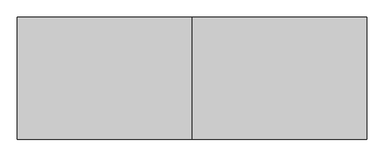
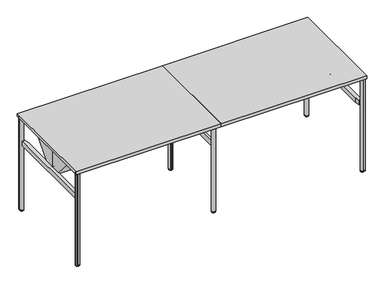
"""IFC4 building model written with IfcOpenShell, lengths in millimetres: furniture geometry."""

from ifc_helpers import new_model, si_unit, point, frame, frame_2d, origin, place, context, project, spatial, polyline, circle_curve, ellipse_curve, trimmed, segment, composite_curve, outline, extrude, source, transform, mapped, element, save
from ifc_brep_helpers import plane_surface, cylinder_surface, revolved_surface, advanced_brep


def furniture_e4376d32(model_context):
    return source(origin(), model_context, "Body", "SolidModel", [
        extrude(outline(composite_curve([segment(polyline([(2897.7708622, -1012.5123913), (2891.159378, -936.94286)]), True, "CONTINUOUS"), segment(trimmed(circle_curve(frame_2d((2910.1368868, -935.2825414)), 19.05), [point((2891.159378, -936.94286))], [point((2911.7972055, -916.3050325))], False, "CARTESIAN"), True, "CONTINUOUS"), segment(polyline([(2911.7972055, -916.3050325), (2989.4875241, -923.1020618)]), True, "CONTINUOUS"), segment(trimmed(circle_curve(frame_2d((2987.59591, -944.7232867)), 21.7038146), [point((2989.4875241, -923.1020618))], [point((3002.9428234, -929.3763711))], False, "CARTESIAN"), True, "CONTINUOUS"), segment(polyline([(3002.9428234, -929.3763711), (3018.5702956, -945.0038411)]), True, "CONTINUOUS"), segment(trimmed(circle_curve(frame_2d((2997.6053664, -965.9687734)), 29.6488894), [point((3018.5702956, -945.0038411))], [point((3027.1414328, -963.3847025))], False, "CARTESIAN"), True, "CONTINUOUS"), segment(polyline([(3027.1414328, -963.3847025), (3033.5888037, -1037.078493), (3033.5888037, -1055.2995351)]), True, "CONTINUOUS"), segment(trimmed(circle_curve(frame_2d((3030.1538794, -1055.2995351)), 3.4349243), [point((3033.5888037, -1055.2995351))], [point((3030.1538794, -1058.7344594))], False, "CARTESIAN"), True, "CONTINUOUS"), segment(polyline([(3030.1538794, -1058.7344594), (3011.9328449, -1058.7344594), (2939.0008773, -1052.3537388)]), True, "CONTINUOUS"), segment(trimmed(circle_curve(frame_2d((2941.7680722, -1020.7245572)), 31.75), [point((2939.0008773, -1052.3537388))], [point((2919.3174287, -1043.1751943))], False, "CARTESIAN"), True, "CONTINUOUS"), segment(polyline([(2919.3174287, -1043.1751943), (2905.7360666, -1029.5938283)]), True, "CONTINUOUS"), segment(trimmed(circle_curve(frame_2d((2925.2189041, -1010.1109963)), 27.5528892), [point((2905.7360666, -1029.5938283))], [point((2897.7708622, -1012.5123913))], False, "CARTESIAN"), True, "CONTINUOUS")], self_intersect=False)), frame((0.0, 0.0, 1029.2852114), z_axis=(0.0, 0.0, 1.0), x_axis=(1.0, 0.0, 0.0)), (0.0, 0.0, 1.0), 7.924807),
        extrude(outline(composite_curve([segment(trimmed(circle_curve(frame_2d((2925.2189041, -55.8736689)), 27.5528892), [point((2897.7708622, -53.4722739))], [point((2905.7360666, -36.3908369))], False, "CARTESIAN"), True, "CONTINUOUS"), segment(polyline([(2905.7360666, -36.3908369), (2919.3174287, -22.8094709)]), True, "CONTINUOUS"), segment(trimmed(circle_curve(frame_2d((2941.7680722, -45.260108)), 31.75), [point((2919.3174287, -22.8094709))], [point((2939.0008773, -13.6309264))], False, "CARTESIAN"), True, "CONTINUOUS"), segment(polyline([(2939.0008773, -13.6309264), (3011.9328449, -7.2502058), (3030.1538794, -7.2502058)]), True, "CONTINUOUS"), segment(trimmed(circle_curve(frame_2d((3030.1538794, -10.6851301)), 3.4349243), [point((3030.1538794, -7.2502058))], [point((3033.5888037, -10.6851301))], False, "CARTESIAN"), True, "CONTINUOUS"), segment(polyline([(3033.5888037, -10.6851301), (3033.5888037, -28.9061722), (3027.1414328, -102.5999627)]), True, "CONTINUOUS"), segment(trimmed(circle_curve(frame_2d((2997.6053664, -100.0158919)), 29.6488894), [point((3027.1414328, -102.5999627))], [point((3018.5702956, -120.9808241))], False, "CARTESIAN"), True, "CONTINUOUS"), segment(polyline([(3018.5702956, -120.9808241), (3002.9428234, -136.6082941)]), True, "CONTINUOUS"), segment(trimmed(circle_curve(frame_2d((2987.59591, -121.2613785)), 21.7038146), [point((3002.9428234, -136.6082941))], [point((2989.4875241, -142.8826034))], False, "CARTESIAN"), True, "CONTINUOUS"), segment(polyline([(2989.4875241, -142.8826034), (2911.7972055, -149.6796327)]), True, "CONTINUOUS"), segment(trimmed(circle_curve(frame_2d((2910.1368868, -130.7021238)), 19.05), [point((2911.7972055, -149.6796327))], [point((2891.159378, -129.0418052))], False, "CARTESIAN"), True, "CONTINUOUS"), segment(polyline([(2891.159378, -129.0418052), (2897.7708622, -53.4722739)]), True, "CONTINUOUS")], self_intersect=False)), frame((0.0, 0.0, 1029.2852114), z_axis=(0.0, 0.0, 1.0), x_axis=(1.0, 0.0, 0.0)), (0.0, 0.0, 1.0), 7.924807),
        extrude(outline(composite_curve([segment(trimmed(circle_curve(frame_2d((115.624494, -1010.9263553)), 27.5528892), [point((143.0725359, -1013.3277503))], [point((135.1073315, -1030.4091873))], False, "CARTESIAN"), True, "CONTINUOUS"), segment(polyline([(135.1073315, -1030.4091873), (121.5259694, -1043.9905533)]), True, "CONTINUOUS"), segment(trimmed(circle_curve(frame_2d((99.0753259, -1021.5399162)), 31.75), [point((121.5259694, -1043.9905533))], [point((101.8425208, -1053.1690978))], False, "CARTESIAN"), True, "CONTINUOUS"), segment(polyline([(101.8425208, -1053.1690978), (28.9105532, -1059.5498184), (10.6895187, -1059.5498184)]), True, "CONTINUOUS"), segment(trimmed(circle_curve(frame_2d((10.6895187, -1056.1148941)), 3.4349243), [point((10.6895187, -1059.5498184))], [point((7.2545944, -1056.1148941))], False, "CARTESIAN"), True, "CONTINUOUS"), segment(polyline([(7.2545944, -1056.1148941), (7.2545944, -1037.893852), (13.7019653, -964.2000615)]), True, "CONTINUOUS"), segment(trimmed(circle_curve(frame_2d((43.2380317, -966.7841324)), 29.6488894), [point((13.7019653, -964.2000615))], [point((22.2731025, -945.8192001))], False, "CARTESIAN"), True, "CONTINUOUS"), segment(polyline([(22.2731025, -945.8192001), (37.9005747, -930.1917301)]), True, "CONTINUOUS"), segment(trimmed(circle_curve(frame_2d((53.2474881, -945.5386457)), 21.7038146), [point((37.9005747, -930.1917301))], [point((51.355874, -923.9174208))], False, "CARTESIAN"), True, "CONTINUOUS"), segment(polyline([(51.355874, -923.9174208), (129.0461926, -917.1203915)]), True, "CONTINUOUS"), segment(trimmed(circle_curve(frame_2d((130.7065113, -936.0979004)), 19.05), [point((129.0461926, -917.1203915))], [point((149.6840201, -937.758219))], False, "CARTESIAN"), True, "CONTINUOUS"), segment(polyline([(149.6840201, -937.758219), (143.0725359, -1013.3277503)]), True, "CONTINUOUS")], self_intersect=False)), frame((0.0, 0.0, 1029.2852114), z_axis=(0.0, 0.0, 1.0), x_axis=(1.0, 0.0, 0.0)), (0.0, 0.0, 1.0), 7.924807),
        extrude(outline(composite_curve([segment(trimmed(circle_curve(frame_2d((1563.0721112, -209.6115174)), 27.5528892), [point((1584.1788505, -191.9008635))], [point((1590.6250004, -209.6115135))], False, "CARTESIAN"), True, "CONTINUOUS"), segment(polyline([(1590.6250004, -209.6115135), (1590.6250031, -228.8184627)]), True, "CONTINUOUS"), segment(trimmed(circle_curve(frame_2d((1558.8750031, -228.8184672)), 31.75), [point((1590.6250031, -228.8184627))], [point((1583.1969142, -249.2269738))], False, "CARTESIAN"), True, "CONTINUOUS"), segment(polyline([(1583.1969142, -249.2269738), (1536.1380761, -305.3095134), (1523.2538591, -318.1937304)]), True, "CONTINUOUS"), segment(trimmed(circle_curve(frame_2d((1520.8250008, -315.7648722)), 3.4349243), [point((1523.2538591, -318.1937304))], [point((1518.3961425, -318.1937304))], False, "CARTESIAN"), True, "CONTINUOUS"), segment(polyline([(1518.3961425, -318.1937304), (1505.5119202, -305.3095081), (1457.9615208, -248.6411494)]), True, "CONTINUOUS"), segment(trimmed(circle_curve(frame_2d((1480.6738877, -229.5832105)), 29.6488894), [point((1457.9615208, -248.6411494))], [point((1451.0249983, -229.5832084))], False, "CARTESIAN"), True, "CONTINUOUS"), segment(polyline([(1451.0249983, -229.5832084), (1451.0249998, -207.4826268)]), True, "CONTINUOUS"), segment(trimmed(circle_curve(frame_2d((1472.7288144, -207.4826284)), 21.7038146), [point((1451.0249998, -207.4826268))], [point((1456.1027266, -193.5316868))], False, "CARTESIAN"), True, "CONTINUOUS"), segment(polyline([(1456.1027266, -193.5316868), (1506.2318522, -133.7901102)]), True, "CONTINUOUS"), segment(trimmed(circle_curve(frame_2d((1520.825, -146.0352128)), 19.05), [point((1506.2318522, -133.7901102))], [point((1535.4181478, -133.7901102))], False, "CARTESIAN"), True, "CONTINUOUS"), segment(polyline([(1535.4181478, -133.7901102), (1584.1788505, -191.9008635)]), True, "CONTINUOUS")], self_intersect=False)), frame((0.0, 0.0, 1029.2852114), z_axis=(0.0, 0.0, 1.0), x_axis=(1.0, 0.0, 0.0)), (0.0, 0.0, 1.0), 7.924807),
        extrude(outline(composite_curve([segment(polyline([(143.0725359, -53.4722739), (149.6840201, -129.0418052)]), True, "CONTINUOUS"), segment(trimmed(circle_curve(frame_2d((130.7065113, -130.7021238)), 19.05), [point((149.6840201, -129.0418052))], [point((129.0461926, -149.6796327))], False, "CARTESIAN"), True, "CONTINUOUS"), segment(polyline([(129.0461926, -149.6796327), (51.355874, -142.8826034)]), True, "CONTINUOUS"), segment(trimmed(circle_curve(frame_2d((53.2474881, -121.2613785)), 21.7038146), [point((51.355874, -142.8826034))], [point((37.9005747, -136.6082941))], False, "CARTESIAN"), True, "CONTINUOUS"), segment(polyline([(37.9005747, -136.6082941), (22.2731025, -120.9808241)]), True, "CONTINUOUS"), segment(trimmed(circle_curve(frame_2d((43.2380317, -100.0158919)), 29.6488894), [point((22.2731025, -120.9808241))], [point((13.7019653, -102.5999627))], False, "CARTESIAN"), True, "CONTINUOUS"), segment(polyline([(13.7019653, -102.5999627), (7.2545944, -28.9061722), (7.2545944, -10.6851301)]), True, "CONTINUOUS"), segment(trimmed(circle_curve(frame_2d((10.6895187, -10.6851301)), 3.4349243), [point((7.2545944, -10.6851301))], [point((10.6895187, -7.2502058))], False, "CARTESIAN"), True, "CONTINUOUS"), segment(polyline([(10.6895187, -7.2502058), (28.9105532, -7.2502058), (101.8425208, -13.6309264)]), True, "CONTINUOUS"), segment(trimmed(circle_curve(frame_2d((99.0753259, -45.260108)), 31.75), [point((101.8425208, -13.6309264))], [point((121.5259694, -22.8094709))], False, "CARTESIAN"), True, "CONTINUOUS"), segment(polyline([(121.5259694, -22.8094709), (135.1073315, -36.3908369)]), True, "CONTINUOUS"), segment(trimmed(circle_curve(frame_2d((115.624494, -55.8736689)), 27.5528892), [point((135.1073315, -36.3908369))], [point((143.0725359, -53.4722739))], False, "CARTESIAN"), True, "CONTINUOUS")], self_intersect=False)), frame((0.0, 0.0, 1029.2852114), z_axis=(0.0, 0.0, 1.0), x_axis=(1.0, 0.0, 0.0)), (0.0, 0.0, 1.0), 7.924807),
        extrude(outline(composite_curve([segment(polyline([(-860.7360671, 1037.2100183), (-538.0985848, 1037.2100183), (-538.0985848, 778.812033)]), True, "CONTINUOUS"), segment(trimmed(circle_curve(frame_2d((-541.0815927, 778.812033)), 2.9830079), [point((-538.0985848, 778.812033))], [point((-541.0815927, 775.8290251))], False, "CARTESIAN"), True, "CONTINUOUS"), segment(polyline([(-541.0815927, 775.8290251), (-565.4985839, 775.8290251), (-565.4985839, 730.9649961), (-558.4999195, 730.9649961), (-558.4999195, 773.6341736), (-556.4999325, 773.6341736), (-556.4999325, 730.9649961), (-546.5486141, 730.9649961), (-546.5486141, 728.6789961), (-589.6736841, 728.6789961), (-860.7360671, 1037.2100183)]), True, "CONTINUOUS")], self_intersect=False)), frame((59.0513238, 0.0, 0.0), z_axis=(1.0, 0.0, 0.0), x_axis=(0.0, 1.0, 0.0)), (0.0, 0.0, 1.0), 2923.5474357),
        extrude(outline(composite_curve([segment(polyline([(-206.0639329, 1037.2100183), (-477.1263159, 728.6789961), (-520.2513859, 728.6789961), (-520.2513859, 730.9649961), (-510.3000675, 730.9649961), (-510.3000675, 773.6341736), (-508.3000805, 773.6341736), (-508.3000805, 730.9649961), (-501.3014161, 730.9649961), (-501.3014161, 775.8290251), (-525.7184073, 775.8290251)]), True, "CONTINUOUS"), segment(trimmed(circle_curve(frame_2d((-525.7184073, 778.812033)), 2.9830079), [point((-525.7184073, 775.8290251))], [point((-528.7014152, 778.812033))], False, "CARTESIAN"), True, "CONTINUOUS"), segment(polyline([(-528.7014152, 778.812033), (-528.7014152, 1037.2100183), (-206.0639329, 1037.2100183)]), True, "CONTINUOUS")], self_intersect=False)), frame((59.0513238, 0.0, 0.0), z_axis=(1.0, 0.0, 0.0), x_axis=(0.0, 1.0, 0.0)), (0.0, 0.0, 1.0), 2923.5474357),
        advanced_brep(
        [(3013.6498037, -1018.8564594, 15.24), (3013.6498037, -1058.7344594, 15.24), (3013.6498037, -1038.7954594, 15.24), (3013.6498037, -1018.8564594, 12.7382497), (3013.6498037, -1058.7344594, 12.7382497), (3013.6498037, -1024.789777, 7.8701761), (3013.6498037, -1052.8011418, 7.8701761), (3013.6498037, -1024.789777, 7.0593297), (3013.6498037, -1052.8011418, 7.0593297), (3013.6498037, -1026.63132, 2.623811), (3013.6498037, -1050.9595987, 2.623811), (3013.6498037, -1029.0090351, 0.2460959), (3013.6498037, -1048.5818837, 0.2460959), (3013.6498037, -1029.9274776, 0.0), (3013.6498037, -1047.6634411, 0.0), (3013.6498037, -1038.7954594, 0.0)],
        [
            (0, 1, circle_curve(frame((3013.6498037, -1038.7954594, 15.24), z_axis=(0.0, 0.0, 1.0), x_axis=(0.0, -1.0, 0.0)), 19.939)),
            (1, 2),
            (2, 0),
            (1, 0, circle_curve(frame((3013.6498037, -1038.7954594, 15.24), z_axis=(0.0, 0.0, 1.0), x_axis=(0.0, -1.0, 0.0)), 19.939)),
            (3, 4, circle_curve(frame((3013.6498037, -1038.7954594, 12.7382497), z_axis=(0.0, 0.0, 1.0), x_axis=(0.0, -1.0, 0.0)), 19.939)),
            (4, 1),
            (0, 3),
            (4, 3, circle_curve(frame((3013.6498037, -1038.7954594, 12.7382497), z_axis=(0.0, 0.0, 1.0), x_axis=(0.0, -1.0, 0.0)), 19.939)),
            (5, 6, circle_curve(frame((3013.6498037, -1038.7954594, 7.8701761), z_axis=(0.0, 0.0, 1.0), x_axis=(0.0, -1.0, 0.0)), 14.0056824)),
            (6, 4, circle_curve(frame((3013.6498037, -1053.770761, 12.7382497), z_axis=(-1.0, 0.0, 0.0), x_axis=(0.0, -1.0, 0.0)), 4.9636984)),
            (3, 5, circle_curve(frame((3013.6498037, -1023.8201577, 12.7382497), z_axis=(-1.0, 0.0, 0.0), x_axis=(0.0, 1.0, 0.0)), 4.9636984)),
            (6, 5, circle_curve(frame((3013.6498037, -1038.7954594, 7.8701761), z_axis=(0.0, 0.0, 1.0), x_axis=(0.0, -1.0, 0.0)), 14.0056824)),
            (7, 8, circle_curve(frame((3013.6498037, -1038.7954594, 7.0593297), z_axis=(0.0, 0.0, 1.0), x_axis=(0.0, -1.0, 0.0)), 14.0056824)),
            (8, 6),
            (5, 7),
            (8, 7, circle_curve(frame((3013.6498037, -1038.7954594, 7.0593297), z_axis=(0.0, 0.0, 1.0), x_axis=(0.0, -1.0, 0.0)), 14.0056824)),
            (9, 10, circle_curve(frame((3013.6498037, -1038.7954594, 2.623811), z_axis=(0.0, 0.0, 1.0), x_axis=(0.0, -1.0, 0.0)), 12.1641393)),
            (10, 8),
            (7, 9),
            (10, 9, circle_curve(frame((3013.6498037, -1038.7954594, 2.623811), z_axis=(0.0, 0.0, 1.0), x_axis=(0.0, -1.0, 0.0)), 12.1641393)),
            (11, 12, circle_curve(frame((3013.6498037, -1038.7954594, 0.2460959), z_axis=(0.0, 0.0, 1.0), x_axis=(0.0, -1.0, 0.0)), 9.7864243)),
            (12, 10),
            (9, 11),
            (12, 11, circle_curve(frame((3013.6498037, -1038.7954594, 0.2460959), z_axis=(0.0, 0.0, 1.0), x_axis=(0.0, -1.0, 0.0)), 9.7864243)),
            (13, 14, circle_curve(frame((3013.6498037, -1038.7954594, 0.0), z_axis=(0.0, 0.0, 1.0), x_axis=(0.0, -1.0, 0.0)), 8.8679818)),
            (14, 12),
            (11, 13),
            (14, 13, circle_curve(frame((3013.6498037, -1038.7954594, 0.0), z_axis=(0.0, 0.0, 1.0), x_axis=(0.0, -1.0, 0.0)), 8.8679818)),
            (15, 14),
            (13, 15),
        ],
        [
            plane_surface(frame((3013.6498037, -1038.7954594, 15.24), z_axis=(0.0, 0.0, 1.0), x_axis=(0.0, -1.0, 0.0))),
            cylinder_surface(frame((3013.6498037, -1038.7954594, 53.34), z_axis=(0.0, 0.0, -1.0), x_axis=(0.0, -1.0, 0.0)), 19.939),
            revolved_surface(trimmed(ellipse_curve(frame((3013.6498037, -1053.770761, 12.7382497), z_axis=(1.0, 0.0, 0.0), x_axis=(0.0, -1.0, 0.0)), 4.9636984, 4.9636984), [point((3013.6498037, -1058.7344594, 12.7382497))], [point((3013.6498037, -1052.8011418, 7.8701761))], True, "CARTESIAN"), (3013.6498037, -1038.7954594, 53.34), (0.0, 0.0, -1.0)),
            cylinder_surface(frame((3013.6498037, -1038.7954594, 53.34), z_axis=(0.0, 0.0, -1.0), x_axis=(0.0, -1.0, 0.0)), 14.0056824),
            revolved_surface(polyline([(3013.6498037, -1052.8011418, 7.0593297), (3013.6498037, -1050.9595987, 2.623811)]), (3013.6498037, -1038.7954594, 53.34), (0.0, 0.0, -1.0)),
            revolved_surface(polyline([(3013.6498037, -1050.9595987, 2.623811), (3013.6498037, -1048.5818837, 0.2460959)]), (3013.6498037, -1038.7954594, 53.34), (0.0, 0.0, -1.0)),
            revolved_surface(polyline([(3013.6498037, -1048.5818837, 0.2460959), (3013.6498037, -1047.6634411, 0.0)]), (3013.6498037, -1038.7954594, 53.34), (0.0, 0.0, -1.0)),
            plane_surface(frame((3013.6498037, -1038.7954594, 0.0), z_axis=(0.0, 0.0, -1.0), x_axis=(0.0, -1.0, 0.0))),
        ],
        [
            (0, [[1, 2, 3]]),
            (0, [[4, -3, -2]]),
            (1, [[5, 6, -1, 7]]),
            (1, [[8, -7, -4, -6]]),
            (2, [[9, 10, -5, 11]]),
            (2, [[12, -11, -8, -10]]),
            (3, [[13, 14, -9, 15]]),
            (3, [[16, -15, -12, -14]]),
            (4, [[17, 18, -13, 19]]),
            (4, [[20, -19, -16, -18]]),
            (5, [[21, 22, -17, 23]]),
            (5, [[24, -23, -20, -22]]),
            (6, [[25, 26, -21, 27]]),
            (6, [[28, -27, -24, -26]]),
            (7, [[29, -25, 30]]),
            (7, [[-30, -28, -29]]),
        ],
    ),
        advanced_brep(
        [(3033.6532523, -27.9300781, 15.24), (2993.6463551, -27.9300781, 15.24), (3013.6498037, -27.9300781, 15.24), (3033.6532523, -27.9300781, 12.413529), (2993.6463551, -27.9300781, 12.413529), (3029.1631242, -27.9300781, 7.9234009), (2998.1364831, -27.9300781, 7.9234009), (3027.6996489, -27.9300781, 7.9234009), (2999.5999584, -27.9300781, 7.9234009), (3027.6996489, -27.9300781, 7.0593297), (2999.5999584, -27.9300781, 7.0593297), (3025.8417297, -27.9300781, 2.623811), (3001.4578777, -27.9300781, 2.623811), (3023.4640146, -27.9300781, 0.2460959), (3003.8355927, -27.9300781, 0.2460959), (3022.5455721, -27.9300781, 0.0), (3004.7540352, -27.9300781, 0.0), (3013.6498037, -27.9300781, 0.0)],
        [
            (0, 1, circle_curve(frame((3013.6498037, -27.9300781, 15.24), z_axis=(0.0, 0.0, 1.0), x_axis=(-1.0, 0.0, 0.0)), 20.0034486)),
            (1, 2),
            (2, 0),
            (1, 0, circle_curve(frame((3013.6498037, -27.9300781, 15.24), z_axis=(0.0, 0.0, 1.0), x_axis=(-1.0, 0.0, 0.0)), 20.0034486)),
            (3, 4, circle_curve(frame((3013.6498037, -27.9300781, 12.413529), z_axis=(0.0, 0.0, 1.0), x_axis=(-1.0, 0.0, 0.0)), 20.0034486)),
            (4, 1),
            (0, 3),
            (4, 3, circle_curve(frame((3013.6498037, -27.9300781, 12.413529), z_axis=(0.0, 0.0, 1.0), x_axis=(-1.0, 0.0, 0.0)), 20.0034486)),
            (5, 6, circle_curve(frame((3013.6498037, -27.9300781, 7.9234009), z_axis=(0.0, 0.0, 1.0), x_axis=(-1.0, 0.0, 0.0)), 15.5133205)),
            (6, 4, circle_curve(frame((2998.1364831, -27.9300781, 12.413529), z_axis=(0.0, 1.0, 0.0), x_axis=(1.0, 0.0, 0.0)), 4.4901281)),
            (3, 5, circle_curve(frame((3029.1631242, -27.9300781, 12.413529), z_axis=(0.0, 1.0, 0.0), x_axis=(-1.0, 0.0, 0.0)), 4.4901281)),
            (6, 5, circle_curve(frame((3013.6498037, -27.9300781, 7.9234009), z_axis=(0.0, 0.0, 1.0), x_axis=(-1.0, 0.0, 0.0)), 15.5133205)),
            (7, 8, circle_curve(frame((3013.6498037, -27.9300781, 7.9234009), z_axis=(0.0, 0.0, 1.0), x_axis=(-1.0, 0.0, 0.0)), 14.0498452)),
            (8, 6),
            (5, 7),
            (8, 7, circle_curve(frame((3013.6498037, -27.9300781, 7.9234009), z_axis=(0.0, 0.0, 1.0), x_axis=(-1.0, 0.0, 0.0)), 14.0498452)),
            (9, 10, circle_curve(frame((3013.6498037, -27.9300781, 7.0593297), z_axis=(0.0, 0.0, 1.0), x_axis=(-1.0, 0.0, 0.0)), 14.0498452)),
            (10, 8),
            (7, 9),
            (10, 9, circle_curve(frame((3013.6498037, -27.9300781, 7.0593297), z_axis=(0.0, 0.0, 1.0), x_axis=(-1.0, 0.0, 0.0)), 14.0498452)),
            (11, 12, circle_curve(frame((3013.6498037, -27.9300781, 2.623811), z_axis=(0.0, 0.0, 1.0), x_axis=(-1.0, 0.0, 0.0)), 12.191926)),
            (12, 10),
            (9, 11),
            (12, 11, circle_curve(frame((3013.6498037, -27.9300781, 2.623811), z_axis=(0.0, 0.0, 1.0), x_axis=(-1.0, 0.0, 0.0)), 12.191926)),
            (13, 14, circle_curve(frame((3013.6498037, -27.9300781, 0.2460959), z_axis=(0.0, 0.0, 1.0), x_axis=(-1.0, 0.0, 0.0)), 9.814211)),
            (14, 12),
            (11, 13),
            (14, 13, circle_curve(frame((3013.6498037, -27.9300781, 0.2460959), z_axis=(0.0, 0.0, 1.0), x_axis=(-1.0, 0.0, 0.0)), 9.814211)),
            (15, 16, circle_curve(frame((3013.6498037, -27.9300781, 0.0), z_axis=(0.0, 0.0, 1.0), x_axis=(-1.0, 0.0, 0.0)), 8.8957684)),
            (16, 14),
            (13, 15),
            (16, 15, circle_curve(frame((3013.6498037, -27.9300781, 0.0), z_axis=(0.0, 0.0, 1.0), x_axis=(-1.0, 0.0, 0.0)), 8.8957684)),
            (17, 16),
            (15, 17),
        ],
        [
            plane_surface(frame((3013.6498037, -27.9300781, 15.24), z_axis=(0.0, 0.0, 1.0), x_axis=(-1.0, 0.0, 0.0))),
            cylinder_surface(frame((3013.6498037, -27.9300781, 56.1592175), z_axis=(0.0, 0.0, -1.0), x_axis=(-1.0, 0.0, 0.0)), 20.0034486),
            revolved_surface(trimmed(ellipse_curve(frame((2998.1364831, -27.9300781, 12.413529), z_axis=(0.0, -1.0, 0.0), x_axis=(1.0, 0.0, 0.0)), 4.4901281, 4.4901281), [point((2993.6463551, -27.9300781, 12.413529))], [point((2998.1364831, -27.9300781, 7.9234009))], True, "CARTESIAN"), (3013.6498037, -27.9300781, 56.1592175), (0.0, 0.0, -1.0)),
            plane_surface(frame((3013.6498037, -27.9300781, 7.9234009), z_axis=(0.0, 0.0, -1.0), x_axis=(-1.0, 0.0, 0.0))),
            cylinder_surface(frame((3013.6498037, -27.9300781, 56.1592175), z_axis=(0.0, 0.0, -1.0), x_axis=(-1.0, 0.0, 0.0)), 14.0498452),
            revolved_surface(polyline([(2999.5999584, -27.9300781, 7.0593297), (3001.4578777, -27.9300781, 2.623811)]), (3013.6498037, -27.9300781, 56.1592175), (0.0, 0.0, -1.0)),
            revolved_surface(polyline([(3001.4578777, -27.9300781, 2.623811), (3003.8355927, -27.9300781, 0.2460959)]), (3013.6498037, -27.9300781, 56.1592175), (0.0, 0.0, -1.0)),
            revolved_surface(polyline([(3003.8355927, -27.9300781, 0.2460959), (3004.7540352, -27.9300781, 0.0)]), (3013.6498037, -27.9300781, 56.1592175), (0.0, 0.0, -1.0)),
            plane_surface(frame((3013.6498037, -27.9300781, 0.0), z_axis=(0.0, 0.0, -1.0), x_axis=(-1.0, 0.0, 0.0))),
        ],
        [
            (0, [[1, 2, 3]]),
            (0, [[4, -3, -2]]),
            (1, [[5, 6, -1, 7]]),
            (1, [[8, -7, -4, -6]]),
            (2, [[9, 10, -5, 11]]),
            (2, [[12, -11, -8, -10]]),
            (3, [[13, 14, -9, 15]]),
            (3, [[16, -15, -12, -14]]),
            (4, [[17, 18, -13, 19]]),
            (4, [[20, -19, -16, -18]]),
            (5, [[21, 22, -17, 23]]),
            (5, [[24, -23, -20, -22]]),
            (6, [[25, 26, -21, 27]]),
            (6, [[28, -27, -24, -26]]),
            (7, [[29, 30, -25, 31]]),
            (7, [[32, -31, -28, -30]]),
            (8, [[33, -29, 34]]),
            (8, [[-34, -32, -33]]),
        ],
    ),
        extrude(outline(polyline([(1508.3408516, -146.0352128), (1533.7409, -146.0352128), (1533.7409, -920.7648008), (1508.3408516, -920.7648008), (1508.3408516, -146.0352128)])), frame((0.0, 0.0, 732.4100183), z_axis=(0.0, 0.0, 1.0), x_axis=(1.0, 0.0, 0.0)), (0.0, 0.0, 1.0), 50.8),
        extrude(outline(polyline([(3020.6928487, -47.9435406), (3020.6928487, -1018.8564594), (2995.0915101, -1018.8564594), (2982.5987595, -963.3971286), (2982.5987595, -103.4028714), (2995.0915101, -47.9435406), (3020.6928487, -47.9435406)])), frame((0.0, 0.0, 732.4100183), z_axis=(0.0, 0.0, 1.0), x_axis=(1.0, 0.0, 0.0)), (0.0, 0.0, 1.0), 50.8),
        extrude(outline(composite_curve([segment(trimmed(circle_curve(frame_2d((3013.6498037, -1038.7954594)), 19.939), [point((3013.6498037, -1058.7344594))], [point((3033.5888037, -1038.7954594))], False, "CARTESIAN"), True, "CONTINUOUS"), segment(polyline([(3033.5888037, -1038.7954594), (3033.5888037, -1058.7344594), (3013.6498037, -1058.7344594)]), True, "CONTINUOUS")], self_intersect=False)), frame((0.0, 0.0, 15.24), z_axis=(0.0, 0.0, 1.0), x_axis=(1.0, 0.0, 0.0)), (0.0, 0.0, 1.0), 1021.9700183),
        extrude(outline(composite_curve([segment(polyline([(3013.6498037, -8.0612031), (3030.7832949, -8.0612031)]), True, "CONTINUOUS"), segment(trimmed(circle_curve(frame_2d((3030.7832949, -10.8667119)), 2.8055087), [point((3030.7832949, -8.0612031))], [point((3033.5888037, -10.8667119))], False, "CARTESIAN"), True, "CONTINUOUS"), segment(polyline([(3033.5888037, -10.8667119), (3033.5888037, -28.0002031)]), True, "CONTINUOUS"), segment(trimmed(circle_curve(frame_2d((3013.6498037, -28.0002031)), 19.939), [point((3033.5888037, -28.0002031))], [point((3013.6498037, -8.0612031))], False, "CARTESIAN"), True, "CONTINUOUS")], self_intersect=False)), frame((0.0, 0.0, 15.24), z_axis=(0.0, 0.0, 1.0), x_axis=(1.0, 0.0, 0.0)), (0.0, 0.0, 1.0), 1021.9700183),
        extrude(outline(polyline([(3041.65, -1066.8), (1520.825, -1066.8), (1520.825, 0.0), (3041.65, 0.0), (3041.65, -1066.8)])), frame((0.0, 0.0, 1037.2100183), z_axis=(0.0, 0.0, 1.0), x_axis=(1.0, 0.0, 0.0)), (0.0, 0.0, 1.0), 29.5899817),
        extrude(outline(polyline([(20.9540966, -47.9435406), (46.6393008, -47.9435406), (59.0513238, -103.4026871), (59.0513238, -963.3973129), (46.6393008, -1018.8564594), (20.9540966, -1018.8564594), (20.9540966, -47.9435406)])), frame((0.0, 0.0, 732.4100183), z_axis=(0.0, 0.0, 1.0), x_axis=(1.0, 0.0, 0.0)), (0.0, 0.0, 1.0), 50.8),
        advanced_brep(
        [(1520.825, -901.14636, 12.8144714), (1520.825, -941.0976838, 12.8144714), (1520.825, -936.1533885, 7.8701761), (1520.825, -906.0906553, 7.8701761), (1520.825, -935.1277043, 7.8701761), (1520.825, -907.1163395, 7.8701761), (1520.825, -935.1277043, 7.0593297), (1520.825, -907.1163395, 7.0593297), (1520.825, -933.2861612, 2.623811), (1520.825, -908.9578825, 2.623811), (1520.825, -930.9084462, 0.2460959), (1520.825, -911.3355976, 0.2460959), (1520.825, -929.9900036, 0.0), (1520.825, -912.2540401, 0.0), (1520.825, -921.1220219, 0.0), (1520.825, -921.1220219, 15.24), (1520.825, -941.0976838, 15.24), (1520.825, -901.14636, 15.24)],
        [
            (0, 1, circle_curve(frame((1520.825, -921.1220219, 12.8144714), z_axis=(0.0, 0.0, -1.0), x_axis=(0.0, -1.0, 0.0)), 19.9756619)),
            (1, 2, circle_curve(frame((1520.825, -936.1533885, 12.8144714), z_axis=(1.0, 0.0, 0.0), x_axis=(0.0, 1.0, 0.0)), 4.9442953)),
            (2, 3, circle_curve(frame((1520.825, -921.1220219, 7.8701761), z_axis=(0.0, 0.0, 1.0), x_axis=(0.0, -1.0, 0.0)), 15.0313666)),
            (3, 0, circle_curve(frame((1520.825, -906.0906553, 12.8144714), z_axis=(1.0, 0.0, 0.0), x_axis=(0.0, -1.0, 0.0)), 4.9442953)),
            (1, 0, circle_curve(frame((1520.825, -921.1220219, 12.8144714), z_axis=(0.0, 0.0, -1.0), x_axis=(0.0, -1.0, 0.0)), 19.9756619)),
            (3, 2, circle_curve(frame((1520.825, -921.1220219, 7.8701761), z_axis=(0.0, 0.0, 1.0), x_axis=(0.0, -1.0, 0.0)), 15.0313666)),
            (2, 4),
            (4, 5, circle_curve(frame((1520.825, -921.1220219, 7.8701761), z_axis=(0.0, 0.0, 1.0), x_axis=(0.0, -1.0, 0.0)), 14.0056824)),
            (5, 3),
            (5, 4, circle_curve(frame((1520.825, -921.1220219, 7.8701761), z_axis=(0.0, 0.0, 1.0), x_axis=(0.0, -1.0, 0.0)), 14.0056824)),
            (4, 6),
            (6, 7, circle_curve(frame((1520.825, -921.1220219, 7.0593297), z_axis=(0.0, 0.0, 1.0), x_axis=(0.0, -1.0, 0.0)), 14.0056824)),
            (7, 5),
            (7, 6, circle_curve(frame((1520.825, -921.1220219, 7.0593297), z_axis=(0.0, 0.0, 1.0), x_axis=(0.0, -1.0, 0.0)), 14.0056824)),
            (6, 8),
            (8, 9, circle_curve(frame((1520.825, -921.1220219, 2.623811), z_axis=(0.0, 0.0, 1.0), x_axis=(0.0, -1.0, 0.0)), 12.1641393)),
            (9, 7),
            (9, 8, circle_curve(frame((1520.825, -921.1220219, 2.623811), z_axis=(0.0, 0.0, 1.0), x_axis=(0.0, -1.0, 0.0)), 12.1641393)),
            (8, 10),
            (10, 11, circle_curve(frame((1520.825, -921.1220219, 0.2460959), z_axis=(0.0, 0.0, 1.0), x_axis=(0.0, -1.0, 0.0)), 9.7864243)),
            (11, 9),
            (11, 10, circle_curve(frame((1520.825, -921.1220219, 0.2460959), z_axis=(0.0, 0.0, 1.0), x_axis=(0.0, -1.0, 0.0)), 9.7864243)),
            (10, 12),
            (12, 13, circle_curve(frame((1520.825, -921.1220219, 0.0), z_axis=(0.0, 0.0, 1.0), x_axis=(0.0, -1.0, 0.0)), 8.8679818)),
            (13, 11),
            (13, 12, circle_curve(frame((1520.825, -921.1220219, 0.0), z_axis=(0.0, 0.0, 1.0), x_axis=(0.0, -1.0, 0.0)), 8.8679818)),
            (12, 14),
            (14, 13),
            (15, 16),
            (16, 17, circle_curve(frame((1520.825, -921.1220219, 15.24), z_axis=(0.0, 0.0, 1.0), x_axis=(0.0, -1.0, 0.0)), 19.9756619)),
            (17, 15),
            (17, 16, circle_curve(frame((1520.825, -921.1220219, 15.24), z_axis=(0.0, 0.0, 1.0), x_axis=(0.0, -1.0, 0.0)), 19.9756619)),
            (16, 1),
            (0, 17),
        ],
        [
            revolved_surface(trimmed(ellipse_curve(frame((1520.825, -936.1533885, 12.8144714), z_axis=(-1.0, 0.0, 0.0), x_axis=(0.0, 1.0, 0.0)), 4.9442953, 4.9442953), [point((1520.825, -936.1533885, 7.8701761))], [point((1520.825, -941.0976838, 12.8144714))], True, "CARTESIAN"), (1520.825, -921.1220219, 40.64), (0.0, 0.0, 1.0)),
            plane_surface(frame((1520.825, -921.1220219, 7.8701761), z_axis=(0.0, 0.0, -1.0), x_axis=(0.0, -1.0, 0.0))),
            cylinder_surface(frame((1520.825, -921.1220219, 40.64), z_axis=(0.0, 0.0, 1.0), x_axis=(0.0, -1.0, 0.0)), 14.0056824),
            revolved_surface(polyline([(1520.825, -933.2861612, 2.623811), (1520.825, -935.1277043, 7.0593297)]), (1520.825, -921.1220219, 40.64), (0.0, 0.0, 1.0)),
            revolved_surface(polyline([(1520.825, -930.9084462, 0.2460959), (1520.825, -933.2861612, 2.623811)]), (1520.825, -921.1220219, 40.64), (0.0, 0.0, 1.0)),
            revolved_surface(polyline([(1520.825, -929.9900036, 0.0), (1520.825, -930.9084462, 0.2460959)]), (1520.825, -921.1220219, 40.64), (0.0, 0.0, 1.0)),
            plane_surface(frame((1520.825, -921.1220219, 0.0), z_axis=(0.0, 0.0, -1.0), x_axis=(0.0, -1.0, 0.0))),
            plane_surface(frame((1520.825, -921.1220219, 15.24), z_axis=(0.0, 0.0, 1.0), x_axis=(0.0, -1.0, 0.0))),
            cylinder_surface(frame((1520.825, -921.1220219, 40.64), z_axis=(0.0, 0.0, 1.0), x_axis=(0.0, -1.0, 0.0)), 19.9756619),
        ],
        [
            (0, [[1, 2, 3, 4]]),
            (0, [[5, -4, 6, -2]]),
            (1, [[-3, 7, 8, 9]]),
            (1, [[-6, -9, 10, -7]]),
            (2, [[-8, 11, 12, 13]]),
            (2, [[-10, -13, 14, -11]]),
            (3, [[-12, 15, 16, 17]]),
            (3, [[-14, -17, 18, -15]]),
            (4, [[-16, 19, 20, 21]]),
            (4, [[-18, -21, 22, -19]]),
            (5, [[-20, 23, 24, 25]]),
            (5, [[-22, -25, 26, -23]]),
            (6, [[-24, 27, 28]]),
            (6, [[-26, -28, -27]]),
            (7, [[29, 30, 31]]),
            (7, [[-31, 32, -29]]),
            (8, [[-30, 33, -1, 34]]),
            (8, [[-32, -34, -5, -33]]),
        ],
    ),
        advanced_brep(
        [(27.9796875, -1023.7640928, 7.8701761), (27.9796875, -1053.826826, 7.8701761), (27.9796875, -1058.7711213, 12.8144714), (27.9796875, -1018.8197975, 12.8144714), (27.9796875, -1024.789777, 7.8701761), (27.9796875, -1052.8011418, 7.8701761), (27.9796875, -1024.789777, 7.0593297), (27.9796875, -1052.8011418, 7.0593297), (27.9796875, -1026.63132, 2.623811), (27.9796875, -1050.9595987, 2.623811), (27.9796875, -1029.0090351, 0.2460959), (27.9796875, -1048.5818837, 0.2460959), (27.9796875, -1029.9274776, 0.0), (27.9796875, -1047.6634411, 0.0), (27.9796875, -1038.7954594, 0.0), (27.9796875, -1018.8197975, 15.24), (27.9796875, -1058.7711213, 15.24), (27.9796875, -1038.7954594, 15.24)],
        [
            (0, 1, circle_curve(frame((27.9796875, -1038.7954594, 7.8701761), z_axis=(0.0, 0.0, 1.0), x_axis=(0.0, -1.0, 0.0)), 15.0313666)),
            (1, 2, circle_curve(frame((27.9796875, -1053.826826, 12.8144714), z_axis=(-1.0, 0.0, 0.0), x_axis=(0.0, 1.0, 0.0)), 4.9442953)),
            (2, 3, circle_curve(frame((27.9796875, -1038.7954594, 12.8144714), z_axis=(0.0, 0.0, -1.0), x_axis=(0.0, -1.0, 0.0)), 19.9756619)),
            (3, 0, circle_curve(frame((27.9796875, -1023.7640928, 12.8144714), z_axis=(-1.0, 0.0, 0.0), x_axis=(0.0, -1.0, 0.0)), 4.9442953)),
            (1, 0, circle_curve(frame((27.9796875, -1038.7954594, 7.8701761), z_axis=(0.0, 0.0, 1.0), x_axis=(0.0, -1.0, 0.0)), 15.0313666)),
            (3, 2, circle_curve(frame((27.9796875, -1038.7954594, 12.8144714), z_axis=(0.0, 0.0, -1.0), x_axis=(0.0, -1.0, 0.0)), 19.9756619)),
            (4, 5, circle_curve(frame((27.9796875, -1038.7954594, 7.8701761), z_axis=(0.0, 0.0, 1.0), x_axis=(0.0, -1.0, 0.0)), 14.0056824)),
            (5, 1),
            (0, 4),
            (5, 4, circle_curve(frame((27.9796875, -1038.7954594, 7.8701761), z_axis=(0.0, 0.0, 1.0), x_axis=(0.0, -1.0, 0.0)), 14.0056824)),
            (6, 7, circle_curve(frame((27.9796875, -1038.7954594, 7.0593297), z_axis=(0.0, 0.0, 1.0), x_axis=(0.0, -1.0, 0.0)), 14.0056824)),
            (7, 5),
            (4, 6),
            (7, 6, circle_curve(frame((27.9796875, -1038.7954594, 7.0593297), z_axis=(0.0, 0.0, 1.0), x_axis=(0.0, -1.0, 0.0)), 14.0056824)),
            (8, 9, circle_curve(frame((27.9796875, -1038.7954594, 2.623811), z_axis=(0.0, 0.0, 1.0), x_axis=(0.0, -1.0, 0.0)), 12.1641393)),
            (9, 7),
            (6, 8),
            (9, 8, circle_curve(frame((27.9796875, -1038.7954594, 2.623811), z_axis=(0.0, 0.0, 1.0), x_axis=(0.0, -1.0, 0.0)), 12.1641393)),
            (10, 11, circle_curve(frame((27.9796875, -1038.7954594, 0.2460959), z_axis=(0.0, 0.0, 1.0), x_axis=(0.0, -1.0, 0.0)), 9.7864243)),
            (11, 9),
            (8, 10),
            (11, 10, circle_curve(frame((27.9796875, -1038.7954594, 0.2460959), z_axis=(0.0, 0.0, 1.0), x_axis=(0.0, -1.0, 0.0)), 9.7864243)),
            (12, 13, circle_curve(frame((27.9796875, -1038.7954594, 0.0), z_axis=(0.0, 0.0, 1.0), x_axis=(0.0, -1.0, 0.0)), 8.8679818)),
            (13, 11),
            (10, 12),
            (13, 12, circle_curve(frame((27.9796875, -1038.7954594, 0.0), z_axis=(0.0, 0.0, 1.0), x_axis=(0.0, -1.0, 0.0)), 8.8679818)),
            (14, 13),
            (12, 14),
            (15, 16, circle_curve(frame((27.9796875, -1038.7954594, 15.24), z_axis=(0.0, 0.0, 1.0), x_axis=(0.0, -1.0, 0.0)), 19.9756619)),
            (16, 17),
            (17, 15),
            (16, 15, circle_curve(frame((27.9796875, -1038.7954594, 15.24), z_axis=(0.0, 0.0, 1.0), x_axis=(0.0, -1.0, 0.0)), 19.9756619)),
            (2, 16),
            (15, 3),
        ],
        [
            revolved_surface(trimmed(ellipse_curve(frame((27.9796875, -1053.826826, 12.8144714), z_axis=(1.0, 0.0, 0.0), x_axis=(0.0, 1.0, 0.0)), 4.9442953, 4.9442953), [point((27.9796875, -1058.7711213, 12.8144714))], [point((27.9796875, -1053.826826, 7.8701761))], True, "CARTESIAN"), (27.9796875, -1038.7954594, 40.64), (0.0, 0.0, -1.0)),
            plane_surface(frame((27.9796875, -1038.7954594, 7.8701761), z_axis=(0.0, 0.0, -1.0), x_axis=(0.0, -1.0, 0.0))),
            cylinder_surface(frame((27.9796875, -1038.7954594, 40.64), z_axis=(0.0, 0.0, -1.0), x_axis=(0.0, -1.0, 0.0)), 14.0056824),
            revolved_surface(polyline([(27.9796875, -1052.8011418, 7.0593297), (27.9796875, -1050.9595987, 2.623811)]), (27.9796875, -1038.7954594, 40.64), (0.0, 0.0, -1.0)),
            revolved_surface(polyline([(27.9796875, -1050.9595987, 2.623811), (27.9796875, -1048.5818837, 0.2460959)]), (27.9796875, -1038.7954594, 40.64), (0.0, 0.0, -1.0)),
            revolved_surface(polyline([(27.9796875, -1048.5818837, 0.2460959), (27.9796875, -1047.6634411, 0.0)]), (27.9796875, -1038.7954594, 40.64), (0.0, 0.0, -1.0)),
            plane_surface(frame((27.9796875, -1038.7954594, 0.0), z_axis=(0.0, 0.0, -1.0), x_axis=(0.0, -1.0, 0.0))),
            plane_surface(frame((27.9796875, -1038.7954594, 15.24), z_axis=(0.0, 0.0, 1.0), x_axis=(0.0, -1.0, 0.0))),
            cylinder_surface(frame((27.9796875, -1038.7954594, 40.64), z_axis=(0.0, 0.0, -1.0), x_axis=(0.0, -1.0, 0.0)), 19.9756619),
        ],
        [
            (0, [[1, 2, 3, 4]]),
            (0, [[5, -4, 6, -2]]),
            (1, [[7, 8, -1, 9]]),
            (1, [[10, -9, -5, -8]]),
            (2, [[11, 12, -7, 13]]),
            (2, [[14, -13, -10, -12]]),
            (3, [[15, 16, -11, 17]]),
            (3, [[18, -17, -14, -16]]),
            (4, [[19, 20, -15, 21]]),
            (4, [[22, -21, -18, -20]]),
            (5, [[23, 24, -19, 25]]),
            (5, [[26, -25, -22, -24]]),
            (6, [[27, -23, 28]]),
            (6, [[-28, -26, -27]]),
            (7, [[29, 30, 31]]),
            (7, [[32, -31, -30]]),
            (8, [[-3, 33, -29, 34]]),
            (8, [[-6, -34, -32, -33]]),
        ],
    ),
        advanced_brep(
        [(1500.8122121, -145.4050781, 12.7759073), (1540.8129999, -145.4050781, 12.7759073), (1535.9072687, -145.4050781, 7.8701761), (1505.7179432, -145.4050781, 7.8701761), (1534.8842433, -145.4050781, 7.8701761), (1506.7409686, -145.4050781, 7.8701761), (1534.8842433, -145.4050781, 7.0593297), (1506.7409686, -145.4050781, 7.0593297), (1533.0014773, -145.4050781, 2.623811), (1508.6237346, -145.4050781, 2.623811), (1530.6237623, -145.4050781, 0.2460959), (1511.0014497, -145.4050781, 0.2460959), (1529.7053198, -145.4050781, 0.0), (1511.9198922, -145.4050781, 0.0), (1520.812606, -145.4050781, 0.0), (1520.812606, -145.4050781, 15.24), (1540.8129999, -145.4050781, 15.24), (1500.8122121, -145.4050781, 15.24)],
        [
            (0, 1, circle_curve(frame((1520.812606, -145.4050781, 12.7759073), z_axis=(0.0, 0.0, -1.0), x_axis=(1.0, 0.0, 0.0)), 20.0003939)),
            (1, 2, circle_curve(frame((1535.9072687, -145.4050781, 12.7759073), z_axis=(0.0, 1.0, 0.0), x_axis=(-1.0, 0.0, 0.0)), 4.9057312)),
            (2, 3, circle_curve(frame((1520.812606, -145.4050781, 7.8701761), z_axis=(0.0, 0.0, 1.0), x_axis=(1.0, 0.0, 0.0)), 15.0946628)),
            (3, 0, circle_curve(frame((1505.7179432, -145.4050781, 12.7759073), z_axis=(0.0, 1.0, 0.0), x_axis=(1.0, 0.0, 0.0)), 4.9057312)),
            (1, 0, circle_curve(frame((1520.812606, -145.4050781, 12.7759073), z_axis=(0.0, 0.0, -1.0), x_axis=(1.0, 0.0, 0.0)), 20.0003939)),
            (3, 2, circle_curve(frame((1520.812606, -145.4050781, 7.8701761), z_axis=(0.0, 0.0, 1.0), x_axis=(1.0, 0.0, 0.0)), 15.0946628)),
            (2, 4),
            (4, 5, circle_curve(frame((1520.812606, -145.4050781, 7.8701761), z_axis=(0.0, 0.0, 1.0), x_axis=(1.0, 0.0, 0.0)), 14.0716373)),
            (5, 3),
            (5, 4, circle_curve(frame((1520.812606, -145.4050781, 7.8701761), z_axis=(0.0, 0.0, 1.0), x_axis=(1.0, 0.0, 0.0)), 14.0716373)),
            (4, 6),
            (6, 7, circle_curve(frame((1520.812606, -145.4050781, 7.0593297), z_axis=(0.0, 0.0, 1.0), x_axis=(1.0, 0.0, 0.0)), 14.0716373)),
            (7, 5),
            (7, 6, circle_curve(frame((1520.812606, -145.4050781, 7.0593297), z_axis=(0.0, 0.0, 1.0), x_axis=(1.0, 0.0, 0.0)), 14.0716373)),
            (6, 8),
            (8, 9, circle_curve(frame((1520.812606, -145.4050781, 2.623811), z_axis=(0.0, 0.0, 1.0), x_axis=(1.0, 0.0, 0.0)), 12.1888713)),
            (9, 7),
            (9, 8, circle_curve(frame((1520.812606, -145.4050781, 2.623811), z_axis=(0.0, 0.0, 1.0), x_axis=(1.0, 0.0, 0.0)), 12.1888713)),
            (8, 10),
            (10, 11, circle_curve(frame((1520.812606, -145.4050781, 0.2460959), z_axis=(0.0, 0.0, 1.0), x_axis=(1.0, 0.0, 0.0)), 9.8111563)),
            (11, 9),
            (11, 10, circle_curve(frame((1520.812606, -145.4050781, 0.2460959), z_axis=(0.0, 0.0, 1.0), x_axis=(1.0, 0.0, 0.0)), 9.8111563)),
            (10, 12),
            (12, 13, circle_curve(frame((1520.812606, -145.4050781, 0.0), z_axis=(0.0, 0.0, 1.0), x_axis=(1.0, 0.0, 0.0)), 8.8927138)),
            (13, 11),
            (13, 12, circle_curve(frame((1520.812606, -145.4050781, 0.0), z_axis=(0.0, 0.0, 1.0), x_axis=(1.0, 0.0, 0.0)), 8.8927138)),
            (12, 14),
            (14, 13),
            (15, 16),
            (16, 17, circle_curve(frame((1520.812606, -145.4050781, 15.24), z_axis=(0.0, 0.0, 1.0), x_axis=(1.0, 0.0, 0.0)), 20.0003939)),
            (17, 15),
            (17, 16, circle_curve(frame((1520.812606, -145.4050781, 15.24), z_axis=(0.0, 0.0, 1.0), x_axis=(1.0, 0.0, 0.0)), 20.0003939)),
            (16, 1),
            (0, 17),
        ],
        [
            revolved_surface(trimmed(ellipse_curve(frame((1535.9072687, -145.4050781, 12.7759073), z_axis=(0.0, -1.0, 0.0), x_axis=(-1.0, 0.0, 0.0)), 4.9057312, 4.9057312), [point((1535.9072687, -145.4050781, 7.8701761))], [point((1540.8129999, -145.4050781, 12.7759073))], True, "CARTESIAN"), (1520.812606, -145.4050781, -11.2120944), (0.0, 0.0, 1.0)),
            plane_surface(frame((1520.812606, -145.4050781, 7.8701761), z_axis=(0.0, 0.0, -1.0), x_axis=(1.0, 0.0, 0.0))),
            cylinder_surface(frame((1520.812606, -145.4050781, -11.2120944), z_axis=(0.0, 0.0, 1.0), x_axis=(1.0, 0.0, 0.0)), 14.0716373),
            revolved_surface(polyline([(1533.0014773, -145.4050781, 2.623811), (1534.8842433, -145.4050781, 7.0593297)]), (1520.812606, -145.4050781, -11.2120944), (0.0, 0.0, 1.0)),
            revolved_surface(polyline([(1530.6237623, -145.4050781, 0.2460959), (1533.0014773, -145.4050781, 2.623811)]), (1520.812606, -145.4050781, -11.2120944), (0.0, 0.0, 1.0)),
            revolved_surface(polyline([(1529.7053198, -145.4050781, 0.0), (1530.6237623, -145.4050781, 0.2460959)]), (1520.812606, -145.4050781, -11.2120944), (0.0, 0.0, 1.0)),
            plane_surface(frame((1520.812606, -145.4050781, 0.0), z_axis=(0.0, 0.0, -1.0), x_axis=(1.0, 0.0, 0.0))),
            plane_surface(frame((1520.812606, -145.4050781, 15.24), z_axis=(0.0, 0.0, 1.0), x_axis=(1.0, 0.0, 0.0))),
            cylinder_surface(frame((1520.812606, -145.4050781, -11.2120944), z_axis=(0.0, 0.0, 1.0), x_axis=(1.0, 0.0, 0.0)), 20.0003939),
        ],
        [
            (0, [[1, 2, 3, 4]]),
            (0, [[5, -4, 6, -2]]),
            (1, [[-3, 7, 8, 9]]),
            (1, [[-6, -9, 10, -7]]),
            (2, [[-8, 11, 12, 13]]),
            (2, [[-10, -13, 14, -11]]),
            (3, [[-12, 15, 16, 17]]),
            (3, [[-14, -17, 18, -15]]),
            (4, [[-16, 19, 20, 21]]),
            (4, [[-18, -21, 22, -19]]),
            (5, [[-20, 23, 24, 25]]),
            (5, [[-22, -25, 26, -23]]),
            (6, [[-24, 27, 28]]),
            (6, [[-26, -28, -27]]),
            (7, [[29, 30, 31]]),
            (7, [[-31, 32, -29]]),
            (8, [[-30, 33, -1, 34]]),
            (8, [[-32, -34, -5, -33]]),
        ],
    ),
        advanced_brep(
        [(43.0948591, -27.9300781, 7.8701761), (12.9055336, -27.9300781, 7.8701761), (7.9998024, -27.9300781, 12.7759073), (48.0005903, -27.9300781, 12.7759073), (42.0718337, -27.9300781, 7.8701761), (13.928559, -27.9300781, 7.8701761), (42.0718337, -27.9300781, 7.0593297), (13.928559, -27.9300781, 7.0593297), (40.1890677, -27.9300781, 2.623811), (15.811325, -27.9300781, 2.623811), (37.8113526, -27.9300781, 0.2460959), (18.18904, -27.9300781, 0.2460959), (36.8929101, -27.9300781, 0.0), (19.1074826, -27.9300781, 0.0), (28.0001963, -27.9300781, 0.0), (48.0005903, -27.9300781, 15.24), (7.9998024, -27.9300781, 15.24), (28.0001963, -27.9300781, 15.24)],
        [
            (0, 1, circle_curve(frame((28.0001963, -27.9300781, 7.8701761), z_axis=(0.0, 0.0, 1.0), x_axis=(-1.0, 0.0, 0.0)), 15.0946628)),
            (1, 2, circle_curve(frame((12.9055336, -27.9300781, 12.7759073), z_axis=(0.0, 1.0, 0.0), x_axis=(1.0, 0.0, 0.0)), 4.9057312)),
            (2, 3, circle_curve(frame((28.0001963, -27.9300781, 12.7759073), z_axis=(0.0, 0.0, -1.0), x_axis=(-1.0, 0.0, 0.0)), 20.0003939)),
            (3, 0, circle_curve(frame((43.0948591, -27.9300781, 12.7759073), z_axis=(0.0, 1.0, 0.0), x_axis=(-1.0, 0.0, 0.0)), 4.9057312)),
            (1, 0, circle_curve(frame((28.0001963, -27.9300781, 7.8701761), z_axis=(0.0, 0.0, 1.0), x_axis=(-1.0, 0.0, 0.0)), 15.0946628)),
            (3, 2, circle_curve(frame((28.0001963, -27.9300781, 12.7759073), z_axis=(0.0, 0.0, -1.0), x_axis=(-1.0, 0.0, 0.0)), 20.0003939)),
            (4, 5, circle_curve(frame((28.0001963, -27.9300781, 7.8701761), z_axis=(0.0, 0.0, 1.0), x_axis=(-1.0, 0.0, 0.0)), 14.0716373)),
            (5, 1),
            (0, 4),
            (5, 4, circle_curve(frame((28.0001963, -27.9300781, 7.8701761), z_axis=(0.0, 0.0, 1.0), x_axis=(-1.0, 0.0, 0.0)), 14.0716373)),
            (6, 7, circle_curve(frame((28.0001963, -27.9300781, 7.0593297), z_axis=(0.0, 0.0, 1.0), x_axis=(-1.0, 0.0, 0.0)), 14.0716373)),
            (7, 5),
            (4, 6),
            (7, 6, circle_curve(frame((28.0001963, -27.9300781, 7.0593297), z_axis=(0.0, 0.0, 1.0), x_axis=(-1.0, 0.0, 0.0)), 14.0716373)),
            (8, 9, circle_curve(frame((28.0001963, -27.9300781, 2.623811), z_axis=(0.0, 0.0, 1.0), x_axis=(-1.0, 0.0, 0.0)), 12.1888713)),
            (9, 7),
            (6, 8),
            (9, 8, circle_curve(frame((28.0001963, -27.9300781, 2.623811), z_axis=(0.0, 0.0, 1.0), x_axis=(-1.0, 0.0, 0.0)), 12.1888713)),
            (10, 11, circle_curve(frame((28.0001963, -27.9300781, 0.2460959), z_axis=(0.0, 0.0, 1.0), x_axis=(-1.0, 0.0, 0.0)), 9.8111563)),
            (11, 9),
            (8, 10),
            (11, 10, circle_curve(frame((28.0001963, -27.9300781, 0.2460959), z_axis=(0.0, 0.0, 1.0), x_axis=(-1.0, 0.0, 0.0)), 9.8111563)),
            (12, 13, circle_curve(frame((28.0001963, -27.9300781, 0.0), z_axis=(0.0, 0.0, 1.0), x_axis=(-1.0, 0.0, 0.0)), 8.8927138)),
            (13, 11),
            (10, 12),
            (13, 12, circle_curve(frame((28.0001963, -27.9300781, 0.0), z_axis=(0.0, 0.0, 1.0), x_axis=(-1.0, 0.0, 0.0)), 8.8927138)),
            (14, 13),
            (12, 14),
            (15, 16, circle_curve(frame((28.0001963, -27.9300781, 15.24), z_axis=(0.0, 0.0, 1.0), x_axis=(-1.0, 0.0, 0.0)), 20.0003939)),
            (16, 17),
            (17, 15),
            (16, 15, circle_curve(frame((28.0001963, -27.9300781, 15.24), z_axis=(0.0, 0.0, 1.0), x_axis=(-1.0, 0.0, 0.0)), 20.0003939)),
            (2, 16),
            (15, 3),
        ],
        [
            revolved_surface(trimmed(ellipse_curve(frame((12.9055336, -27.9300781, 12.7759073), z_axis=(0.0, -1.0, 0.0), x_axis=(1.0, 0.0, 0.0)), 4.9057312, 4.9057312), [point((7.9998024, -27.9300781, 12.7759073))], [point((12.9055336, -27.9300781, 7.8701761))], True, "CARTESIAN"), (28.0001963, -27.9300781, -11.2120944), (0.0, 0.0, -1.0)),
            plane_surface(frame((28.0001963, -27.9300781, 7.8701761), z_axis=(0.0, 0.0, -1.0), x_axis=(-1.0, 0.0, 0.0))),
            cylinder_surface(frame((28.0001963, -27.9300781, -11.2120944), z_axis=(0.0, 0.0, -1.0), x_axis=(-1.0, 0.0, 0.0)), 14.0716373),
            revolved_surface(polyline([(13.928559, -27.9300781, 7.0593297), (15.811325, -27.9300781, 2.623811)]), (28.0001963, -27.9300781, -11.2120944), (0.0, 0.0, -1.0)),
            revolved_surface(polyline([(15.811325, -27.9300781, 2.623811), (18.18904, -27.9300781, 0.2460959)]), (28.0001963, -27.9300781, -11.2120944), (0.0, 0.0, -1.0)),
            revolved_surface(polyline([(18.18904, -27.9300781, 0.2460959), (19.1074826, -27.9300781, 0.0)]), (28.0001963, -27.9300781, -11.2120944), (0.0, 0.0, -1.0)),
            plane_surface(frame((28.0001963, -27.9300781, 0.0), z_axis=(0.0, 0.0, -1.0), x_axis=(-1.0, 0.0, 0.0))),
            plane_surface(frame((28.0001963, -27.9300781, 15.24), z_axis=(0.0, 0.0, 1.0), x_axis=(-1.0, 0.0, 0.0))),
            cylinder_surface(frame((28.0001963, -27.9300781, -11.2120944), z_axis=(0.0, 0.0, -1.0), x_axis=(-1.0, 0.0, 0.0)), 20.0003939),
        ],
        [
            (0, [[1, 2, 3, 4]]),
            (0, [[5, -4, 6, -2]]),
            (1, [[7, 8, -1, 9]]),
            (1, [[10, -9, -5, -8]]),
            (2, [[11, 12, -7, 13]]),
            (2, [[14, -13, -10, -12]]),
            (3, [[15, 16, -11, 17]]),
            (3, [[18, -17, -14, -16]]),
            (4, [[19, 20, -15, 21]]),
            (4, [[22, -21, -18, -20]]),
            (5, [[23, 24, -19, 25]]),
            (5, [[26, -25, -22, -24]]),
            (6, [[27, -23, 28]]),
            (6, [[-28, -26, -27]]),
            (7, [[29, 30, 31]]),
            (7, [[32, -31, -30]]),
            (8, [[-3, 33, -29, 34]]),
            (8, [[-6, -34, -32, -33]]),
        ],
    ),
        extrude(outline(composite_curve([segment(polyline([(28.0001963, -1058.7344594), (8.0611963, -1058.7344594), (8.0611963, -1038.7954594)]), True, "CONTINUOUS"), segment(trimmed(circle_curve(frame_2d((28.0001963, -1038.7954594)), 19.939), [point((8.0611963, -1038.7954594))], [point((28.0001963, -1058.7344594))], False, "CARTESIAN"), True, "CONTINUOUS")], self_intersect=False)), frame((0.0, 0.0, 15.24), z_axis=(0.0, 0.0, 1.0), x_axis=(1.0, 0.0, 0.0)), (0.0, 0.0, 1.0), 1021.9700183),
        extrude(outline(composite_curve([segment(trimmed(circle_curve(frame_2d((1520.825, -921.1220219)), 19.939), [point((1534.9240021, -907.0230198))], [point((1506.7259979, -907.0230198))], False, "CARTESIAN"), True, "CONTINUOUS"), segment(polyline([(1506.7259979, -907.0230198), (1520.825, -892.9240176), (1534.9240021, -907.0230198)]), True, "CONTINUOUS")], self_intersect=False)), frame((0.0, 0.0, 15.24), z_axis=(0.0, 0.0, 1.0), x_axis=(1.0, 0.0, 0.0)), (0.0, 0.0, 1.0), 1021.9700183),
        extrude(outline(composite_curve([segment(polyline([(1534.9240021, -159.5742053), (1522.7014538, -171.7967535)]), True, "CONTINUOUS"), segment(trimmed(circle_curve(frame_2d((1520.825, -169.9202997)), 2.6537064), [point((1522.7014538, -171.7967535))], [point((1518.9485462, -171.7967535))], False, "CARTESIAN"), True, "CONTINUOUS"), segment(polyline([(1518.9485462, -171.7967535), (1506.7259979, -159.5742053)]), True, "CONTINUOUS"), segment(trimmed(circle_curve(frame_2d((1520.825, -145.4752031)), 19.939), [point((1506.7259979, -159.5742053))], [point((1534.9240021, -159.5742053))], False, "CARTESIAN"), True, "CONTINUOUS")], self_intersect=False)), frame((0.0, 0.0, 15.24), z_axis=(0.0, 0.0, 1.0), x_axis=(1.0, 0.0, 0.0)), (0.0, 0.0, 1.0), 1021.9700183),
        extrude(outline(composite_curve([segment(trimmed(circle_curve(frame_2d((28.0001963, -28.0002031)), 19.939), [point((28.0001963, -8.0612031))], [point((8.0611963, -28.0002031))], False, "CARTESIAN"), True, "CONTINUOUS"), segment(polyline([(8.0611963, -28.0002031), (8.0611963, -10.8667119)]), True, "CONTINUOUS"), segment(trimmed(circle_curve(frame_2d((10.8667051, -10.8667119)), 2.8055087), [point((8.0611963, -10.8667119))], [point((10.8667051, -8.0612031))], False, "CARTESIAN"), True, "CONTINUOUS"), segment(polyline([(10.8667051, -8.0612031), (28.0001963, -8.0612031)]), True, "CONTINUOUS")], self_intersect=False)), frame((0.0, 0.0, 15.24), z_axis=(0.0, 0.0, 1.0), x_axis=(1.0, 0.0, 0.0)), (0.0, 0.0, 1.0), 1021.9700183),
        extrude(outline(polyline([(0.0, -1066.8), (0.0, 0.0), (1520.825, 0.0), (1520.825, -1066.8), (0.0, -1066.8)])), frame((0.0, 0.0, 1037.2100183), z_axis=(0.0, 0.0, 1.0), x_axis=(1.0, 0.0, 0.0)), (0.0, 0.0, 1.0), 29.5899817),
    ])


if __name__ == "__main__":
    model = new_model("IFC4")
    model_context = context("Model", 3, world=origin())
    ifc_project = project(units=[si_unit("LENGTHUNIT", "METRE", prefix="MILLI")], contexts=[model_context])
    site = spatial("IfcSite", under=ifc_project)
    building = spatial("IfcBuilding", under=site)
    placement = place(None, origin())
    furniture_shape = furniture_e4376d32(model_context)
    element("IfcFurniture", 1, at=placement, inside=building, context=model_context, shape_type="MappedRepresentation", body=[
        mapped(furniture_shape, transform((0.0, 0.0, 0.0), x_axis=(1.0, 0.0, 0.0), y_axis=(0.0, 1.0, 0.0), z_axis=(0.0, 0.0, 1.0))),
    ])
    save(model, "model.ifc")
